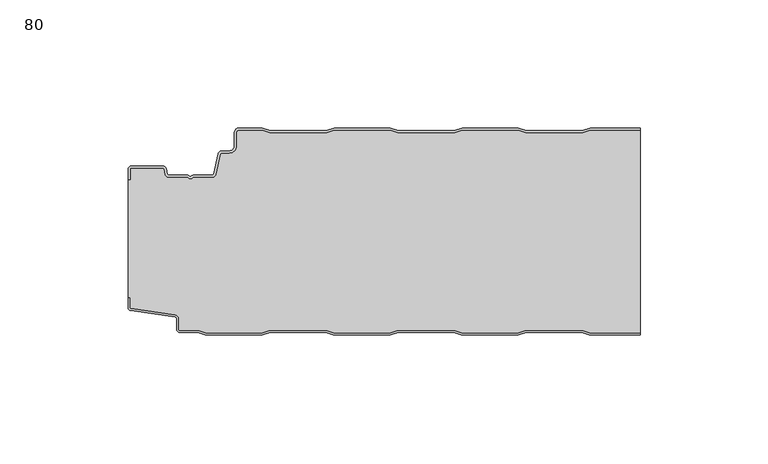
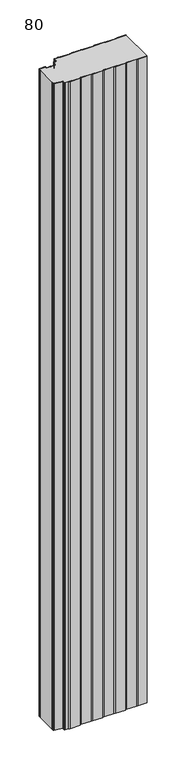
"""IFC4 building model written with IfcOpenShell, lengths in millimetres: plate geometry, 80."""

from ifc_helpers import new_model, si_unit, point, frame_2d, origin, origin_with_axes, place, context, project, spatial, polyline, circle_curve, trimmed, segment, composite_curve, outline, extrude, source, transform, mapped, element, save


def plate_80_a6f836d1(model_context):
    return source(origin(), model_context, "Body", "SweptSolid", [
        extrude(outline(composite_curve([segment(trimmed(circle_curve(frame_2d((-98.6, -16.2480681)), 1.4), [point((-100.0, -16.2480681))], [point((-98.6, -14.8480681))], False, "CARTESIAN"), True, "CONTINUOUS"), segment(polyline([(-98.6, -14.8480681), (-86.4969094, -14.8480681)]), True, "CONTINUOUS"), segment(trimmed(circle_curve(frame_2d((-86.4969094, -16.2480681)), 1.4), [point((-86.4969094, -14.8480681))], [point((-85.1275334, -15.9568477))], False, "CARTESIAN"), True, "CONTINUOUS"), segment(polyline([(-85.1275334, -15.9568477), (-84.6878192, -18.0244711)]), True, "CONTINUOUS"), segment(trimmed(circle_curve(frame_2d((-84.1011925, -17.8997153)), 0.5997457), [point((-84.6878192, -18.0244711))], [point((-84.1011925, -18.499461))], True, "CARTESIAN"), True, "CONTINUOUS"), segment(polyline([(-84.1011925, -18.499461), (-76.9006569, -18.499461)]), True, "CONTINUOUS"), segment(trimmed(circle_curve(frame_2d((-76.9006569, -19.799946)), 1.300485), [point((-76.9006569, -18.499461))], [point((-75.9808032, -18.8806362))], False, "CARTESIAN"), True, "CONTINUOUS"), segment(trimmed(circle_curve(frame_2d((-75.5877843, -18.5693125)), 0.5013845), [point((-75.9808032, -18.8806362))], [point((-75.2328971, -18.9234896))], True, "CARTESIAN"), True, "CONTINUOUS"), segment(trimmed(circle_curve(frame_2d((-74.2728751, -19.8002001)), 1.3001013), [point((-75.2328971, -18.9234896))], [point((-74.2728751, -18.5000988))], False, "CARTESIAN"), True, "CONTINUOUS"), segment(polyline([(-74.2728751, -18.5000988), (-67.0728572, -18.5000988)]), True, "CONTINUOUS"), segment(trimmed(circle_curve(frame_2d((-67.0728572, -17.9000522)), 0.6000466), [point((-67.0728572, -18.5000988))], [point((-66.4859224, -18.0248059))], True, "CARTESIAN"), True, "CONTINUOUS"), segment(polyline([(-66.4859224, -18.0248059), (-64.8033928, -10.1089305)]), True, "CONTINUOUS"), segment(trimmed(circle_curve(frame_2d((-63.4339847, -10.4)), 1.4), [point((-64.8033928, -10.1089305))], [point((-63.4339847, -9.0))], False, "CARTESIAN"), True, "CONTINUOUS"), segment(polyline([(-63.4339847, -9.0), (-60.4027062, -9.0)]), True, "CONTINUOUS"), segment(trimmed(circle_curve(frame_2d((-60.4027062, -7.1)), 1.9), [point((-60.4027062, -9.0))], [point((-58.5027062, -7.1))], True, "CARTESIAN"), True, "CONTINUOUS"), segment(polyline([(-58.5027062, -7.1), (-58.5027062, -2.0)]), True, "CONTINUOUS"), segment(trimmed(circle_curve(frame_2d((-56.5027062, -2.0)), 2.0), [point((-58.5027062, -2.0))], [point((-56.5027062, 0.0))], False, "CARTESIAN"), True, "CONTINUOUS"), segment(polyline([(-56.5027062, 0.0), (-47.5017452, 0.0), (-44.5017452, -1.0), (-22.5017452, -1.0), (-19.5017452, 0.0), (2.4982548, 0.0), (5.4982548, -1.0), (27.4982548, -1.0), (30.4982548, 0.0), (52.4982548, 0.0), (55.4982548, -1.0), (77.4982548, -1.0), (80.4982548, 0.0), (100.0, 0.0), (100.0, -0.8), (80.6280769, -0.8), (77.6280769, -1.8), (55.3684327, -1.8), (52.3684327, -0.8), (30.6280769, -0.8), (27.6280769, -1.8), (5.3684327, -1.8), (2.3684327, -0.8), (-19.3719231, -0.8), (-22.3719231, -1.8), (-44.6315673, -1.8), (-47.6315673, -0.8), (-56.5027062, -0.8)]), True, "CONTINUOUS"), segment(trimmed(circle_curve(frame_2d((-56.5027062, -2.0)), 1.2), [point((-56.5027062, -0.8))], [point((-57.7027062, -2.0))], True, "CARTESIAN"), True, "CONTINUOUS"), segment(polyline([(-57.7027062, -2.0), (-57.7027062, -7.1)]), True, "CONTINUOUS"), segment(trimmed(circle_curve(frame_2d((-60.4027062, -7.1)), 2.7), [point((-57.7027062, -7.1))], [point((-60.4027062, -9.8))], False, "CARTESIAN"), True, "CONTINUOUS"), segment(polyline([(-60.4027062, -9.8), (-63.4339847, -9.8)]), True, "CONTINUOUS"), segment(trimmed(circle_curve(frame_2d((-63.4339847, -10.4)), 0.6), [point((-63.4339847, -9.8))], [point((-64.0208733, -10.275253))], True, "CARTESIAN"), True, "CONTINUOUS"), segment(polyline([(-64.0208733, -10.275253), (-65.7034335, -18.1910764)]), True, "CONTINUOUS"), segment(trimmed(circle_curve(frame_2d((-67.0728401, -17.9)), 1.4), [point((-65.7034335, -18.1910764))], [point((-67.0728401, -19.3))], False, "CARTESIAN"), True, "CONTINUOUS"), segment(polyline([(-67.0728401, -19.3), (-74.5122154, -19.3)]), True, "CONTINUOUS"), segment(trimmed(circle_curve(frame_2d((-75.5869697, -18.5686292)), 1.3), [point((-74.5122154, -19.3))], [point((-76.6617239, -19.3))], False, "CARTESIAN"), True, "CONTINUOUS"), segment(polyline([(-76.6617239, -19.3), (-84.1010993, -19.3)]), True, "CONTINUOUS"), segment(trimmed(circle_curve(frame_2d((-84.1010993, -17.9)), 1.4), [point((-84.1010993, -19.3))], [point((-85.4705059, -18.1910764))], False, "CARTESIAN"), True, "CONTINUOUS"), segment(polyline([(-85.4705059, -18.1910764), (-85.9100208, -16.1233211)]), True, "CONTINUOUS"), segment(trimmed(circle_curve(frame_2d((-86.4969094, -16.2480681)), 0.6), [point((-85.9100208, -16.1233211))], [point((-86.4969094, -15.6480681))], True, "CARTESIAN"), True, "CONTINUOUS"), segment(polyline([(-86.4969094, -15.6480681), (-98.6, -15.6480681)]), True, "CONTINUOUS"), segment(trimmed(circle_curve(frame_2d((-98.6, -16.2480681)), 0.6), [point((-98.6, -15.6480681))], [point((-99.2, -16.2480681))], True, "CARTESIAN"), True, "CONTINUOUS"), segment(polyline([(-99.2, -16.2480681), (-99.2, -20.2482392), (-100.0, -20.2482392), (-100.0, -16.2480681)]), True, "CONTINUOUS")], self_intersect=False)), origin_with_axes(), (0.0, 0.0, 1.0), 1500.0),
        extrude(outline(composite_curve([segment(polyline([(-100.0, -66.3232445), (-100.0, -20.2482392), (-99.2, -20.2482392), (-99.2, -16.2480681)]), True, "CONTINUOUS"), segment(trimmed(circle_curve(frame_2d((-98.6, -16.2480681)), 0.6), [point((-99.2, -16.2480681))], [point((-98.6, -15.6480681))], False, "CARTESIAN"), True, "CONTINUOUS"), segment(polyline([(-98.6, -15.6480681), (-86.4969094, -15.6480681)]), True, "CONTINUOUS"), segment(trimmed(circle_curve(frame_2d((-86.4969094, -16.2480681)), 0.6), [point((-86.4969094, -15.6480681))], [point((-85.9100208, -16.1233211))], False, "CARTESIAN"), True, "CONTINUOUS"), segment(polyline([(-85.9100208, -16.1233211), (-85.4705059, -18.1910764)]), True, "CONTINUOUS"), segment(trimmed(circle_curve(frame_2d((-84.1010993, -17.9)), 1.4), [point((-85.4705059, -18.1910764))], [point((-84.1010993, -19.3))], True, "CARTESIAN"), True, "CONTINUOUS"), segment(polyline([(-84.1010993, -19.3), (-76.6617239, -19.3)]), True, "CONTINUOUS"), segment(trimmed(circle_curve(frame_2d((-75.5869697, -18.5686292)), 1.3), [point((-76.6617239, -19.3))], [point((-74.5122154, -19.3))], True, "CARTESIAN"), True, "CONTINUOUS"), segment(polyline([(-74.5122154, -19.3), (-67.0728401, -19.3)]), True, "CONTINUOUS"), segment(trimmed(circle_curve(frame_2d((-67.0728401, -17.9)), 1.4), [point((-67.0728401, -19.3))], [point((-65.7034335, -18.1910764))], True, "CARTESIAN"), True, "CONTINUOUS"), segment(polyline([(-65.7034335, -18.1910764), (-64.0208733, -10.275253)]), True, "CONTINUOUS"), segment(trimmed(circle_curve(frame_2d((-63.4339847, -10.4)), 0.6), [point((-64.0208733, -10.275253))], [point((-63.4339847, -9.8))], False, "CARTESIAN"), True, "CONTINUOUS"), segment(polyline([(-63.4339847, -9.8), (-60.4027062, -9.8)]), True, "CONTINUOUS"), segment(trimmed(circle_curve(frame_2d((-60.4027062, -7.1)), 2.7), [point((-60.4027062, -9.8))], [point((-57.7027062, -7.1))], True, "CARTESIAN"), True, "CONTINUOUS"), segment(polyline([(-57.7027062, -7.1), (-57.7027062, -2.0)]), True, "CONTINUOUS"), segment(trimmed(circle_curve(frame_2d((-56.5027062, -2.0)), 1.2), [point((-57.7027062, -2.0))], [point((-56.5027062, -0.8))], False, "CARTESIAN"), True, "CONTINUOUS"), segment(polyline([(-56.5027062, -0.8), (-47.6315673, -0.8), (-44.6315673, -1.8), (-22.3719231, -1.8), (-19.3719231, -0.8), (2.3684327, -0.8), (5.3684327, -1.8), (27.6280769, -1.8), (30.6280769, -0.8), (52.3684327, -0.8), (55.3684327, -1.8), (77.6280769, -1.8), (80.6280769, -0.8), (100.0, -0.8), (100.0, -80.2), (80.3684327, -80.2), (77.3684327, -79.2), (55.3684327, -79.2), (52.3684327, -80.2), (30.3684327, -80.2), (27.3684327, -79.2), (5.3684327, -79.2), (2.3684327, -80.2), (-19.6315673, -80.2), (-22.6315673, -79.2), (-44.6315673, -79.2), (-47.6315673, -80.2), (-69.6315673, -80.2), (-72.6315673, -79.2), (-79.7, -79.2)]), True, "CONTINUOUS"), segment(trimmed(circle_curve(frame_2d((-79.7, -78.7)), 0.5), [point((-79.7, -79.2))], [point((-80.2, -78.7))], False, "CARTESIAN"), True, "CONTINUOUS"), segment(polyline([(-80.2, -78.7), (-80.2, -74.6035317)]), True, "CONTINUOUS"), segment(trimmed(circle_curve(frame_2d((-81.7, -74.6035317)), 1.5), [point((-80.2, -74.6035317))], [point((-81.4911207, -73.1181464))], True, "CARTESIAN"), True, "CONTINUOUS"), segment(polyline([(-81.4911207, -73.1181464), (-98.6835517, -70.7004962)]), True, "CONTINUOUS"), segment(trimmed(circle_curve(frame_2d((-98.6, -70.1063421)), 0.6), [point((-98.6835517, -70.7004962))], [point((-99.2, -70.1063421))], False, "CARTESIAN"), True, "CONTINUOUS"), segment(polyline([(-99.2, -70.1063421), (-99.2, -66.3232445), (-100.0, -66.3232445)]), True, "CONTINUOUS")], self_intersect=False)), origin_with_axes(), (0.0, 0.0, 1.0), 1500.0),
        extrude(outline(composite_curve([segment(polyline([(-100.0, -66.3232445), (-99.2, -66.3232445), (-99.2, -70.1063421)]), True, "CONTINUOUS"), segment(trimmed(circle_curve(frame_2d((-98.6, -70.1063421)), 0.6), [point((-99.2, -70.1063421))], [point((-98.6835517, -70.7004962))], True, "CARTESIAN"), True, "CONTINUOUS"), segment(polyline([(-98.6835517, -70.7004962), (-81.4911207, -73.1181464)]), True, "CONTINUOUS"), segment(trimmed(circle_curve(frame_2d((-81.7, -74.6035317)), 1.5), [point((-81.4911207, -73.1181464))], [point((-80.2, -74.6035317))], False, "CARTESIAN"), True, "CONTINUOUS"), segment(polyline([(-80.2, -74.6035317), (-80.2, -78.7)]), True, "CONTINUOUS"), segment(trimmed(circle_curve(frame_2d((-79.7, -78.7)), 0.5), [point((-80.2, -78.7))], [point((-79.7, -79.2))], True, "CARTESIAN"), True, "CONTINUOUS"), segment(polyline([(-79.7, -79.2), (-72.6315673, -79.2), (-69.6315673, -80.2), (-47.6315673, -80.2), (-44.6315673, -79.2), (-22.6315673, -79.2), (-19.6315673, -80.2), (2.3684327, -80.2), (5.3684327, -79.2), (27.3684327, -79.2), (30.3684327, -80.2), (52.3684327, -80.2), (55.3684327, -79.2), (77.3684327, -79.2), (80.3684327, -80.2), (100.0, -80.2), (100.0, -81.0), (80.2386105, -81.0), (77.2386105, -80.0), (55.4982548, -80.0), (52.4982548, -81.0), (30.2386105, -81.0), (27.2386105, -80.0), (5.4982548, -80.0), (2.4982548, -81.0), (-19.7613895, -81.0), (-22.7613895, -80.0), (-44.5017452, -80.0), (-47.5017452, -81.0), (-69.7613895, -81.0), (-72.7613895, -80.0), (-79.7, -80.0)]), True, "CONTINUOUS"), segment(trimmed(circle_curve(frame_2d((-79.7, -78.7)), 1.3), [point((-79.7, -80.0))], [point((-81.0, -78.7))], False, "CARTESIAN"), True, "CONTINUOUS"), segment(polyline([(-81.0, -78.7), (-81.0, -74.6035317)]), True, "CONTINUOUS"), segment(trimmed(circle_curve(frame_2d((-81.7, -74.6035317)), 0.7), [point((-81.0, -74.6035317))], [point((-81.602523, -73.9103519))], True, "CARTESIAN"), True, "CONTINUOUS"), segment(polyline([(-81.602523, -73.9103519), (-98.8810287, -71.4805976)]), True, "CONTINUOUS"), segment(trimmed(circle_curve(frame_2d((-98.7, -70.1932637)), 1.3), [point((-98.8810287, -71.4805976))], [point((-100.0, -70.1932637))], False, "CARTESIAN"), True, "CONTINUOUS"), segment(polyline([(-100.0, -70.1932637), (-100.0, -66.3232445)]), True, "CONTINUOUS")], self_intersect=False)), origin_with_axes(), (0.0, 0.0, 1.0), 1500.0),
    ])


if __name__ == "__main__":
    model = new_model("IFC4")
    model_context = context("Model", 3, world=origin())
    ifc_project = project(units=[si_unit("LENGTHUNIT", "METRE", prefix="MILLI")], contexts=[model_context])
    site = spatial("IfcSite", under=ifc_project)
    building = spatial("IfcBuilding", under=site)
    placement = place(None, origin())
    plate_80_shape = plate_80_a6f836d1(model_context)
    element("IfcPlate", 1, ObjectType="80", at=placement, inside=building, context=model_context, shape_type="MappedRepresentation", body=[
        mapped(plate_80_shape, transform((0.0, 0.0, 0.0), x_axis=(1.0, 0.0, 0.0), y_axis=(0.0, 1.0, 0.0), z_axis=(0.0, 0.0, 1.0))),
    ])
    save(model, "model.ifc")
